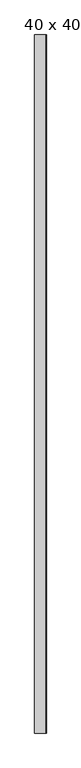
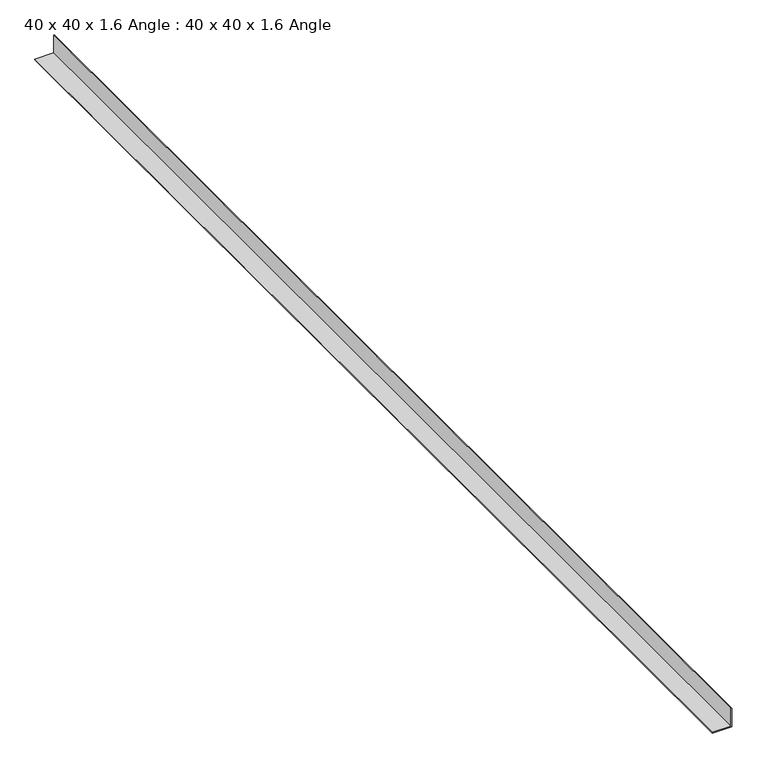
"""IFC4 building model written with IfcOpenShell, lengths in millimetres: proxy geometry, 40 x 40 x 1.6 Angle : 40 x 40 x 1.6 Angle."""

from ifc_helpers import new_model, si_unit, frame, origin, place, context, project, spatial, polyline, outline, extrude, source, transform, mapped, element, save


def proxy_40_x_40_x_1_6_angle_40_x_40_x_1_6_angle_7dd59005(model_context):
    return source(origin(), model_context, "Body", "SweptSolid", [
        extrude(outline(polyline([(40.0, 0.0), (40.0, -1.6), (1.6, -1.6), (1.6, -40.0), (0.0, -40.0), (0.0, 0.0), (40.0, 0.0)])), frame((0.0, -1700.0, 0.0), z_axis=(0.0, 1.0, 0.0), x_axis=(0.0, 0.0, 1.0)), (0.0, 0.0, 1.0), 2400.0),
    ])


if __name__ == "__main__":
    model = new_model("IFC4")
    model_context = context("Model", 3, world=origin())
    ifc_project = project(units=[si_unit("LENGTHUNIT", "METRE", prefix="MILLI")], contexts=[model_context])
    site = spatial("IfcSite", under=ifc_project)
    building = spatial("IfcBuilding", under=site)
    placement = place(None, origin())
    proxy_40_x_40_x_1_6_angle_40_x_40_x_1_6_angle_shape = proxy_40_x_40_x_1_6_angle_40_x_40_x_1_6_angle_7dd59005(model_context)
    element("IfcBuildingElementProxy", 1, Name="40 x 40 x 1.6 Angle : 40 x 40 x 1.6 Angle", ObjectType="40 x 40 x 1.6 Angle : 40 x 40 x 1.6 Angle", at=placement, inside=building, context=model_context, shape_type="MappedRepresentation", body=[
        mapped(proxy_40_x_40_x_1_6_angle_40_x_40_x_1_6_angle_shape, transform((0.0, 0.0, 0.0), x_axis=(1.0, 0.0, 0.0), y_axis=(0.0, 1.0, 0.0), z_axis=(0.0, 0.0, 1.0))),
    ])
    save(model, "model.ifc")
